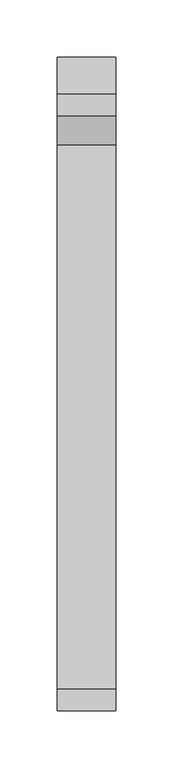
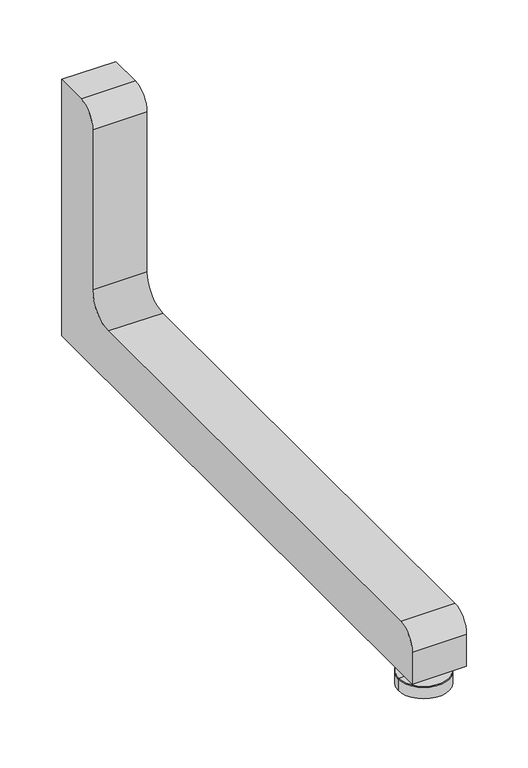
"""IFC4 building model written with IfcOpenShell, lengths in millimetres: furniture geometry."""

from ifc_helpers import new_model, si_unit, point, frame, frame_2d, origin, place, context, project, spatial, polyline, circle_curve, ellipse_curve, trimmed, segment, composite_curve, outline, extrude, source, transform, mapped, element, save
from ifc_brep_helpers import plane_surface, cylinder_surface, revolved_surface, advanced_brep


def furniture_8a6e1cfb(model_context):
    return source(origin(), model_context, "Body", "SolidModel", [
        extrude(outline(composite_curve([segment(polyline([(151.9514987, 22.225), (-417.9610013, 22.225), (-417.9610013, 53.975)]), True, "CONTINUOUS"), segment(trimmed(circle_curve(frame_2d((-398.9110013, 53.975)), 19.05), [point((-417.9610013, 53.975))], [point((-398.9110013, 73.025))], False, "CARTESIAN"), True, "CONTINUOUS"), segment(polyline([(-398.9110013, 73.025), (75.7514987, 73.025)]), True, "CONTINUOUS"), segment(trimmed(circle_curve(frame_2d((75.7514987, 98.425)), 25.4), [point((75.7514987, 73.025))], [point((101.1514987, 98.425))], True, "CARTESIAN"), True, "CONTINUOUS"), segment(polyline([(101.1514987, 98.425), (101.1514987, 257.175)]), True, "CONTINUOUS"), segment(trimmed(circle_curve(frame_2d((120.2014987, 257.175)), 19.05), [point((101.1514987, 257.175))], [point((120.2014987, 276.225))], False, "CARTESIAN"), True, "CONTINUOUS"), segment(polyline([(120.2014987, 276.225), (151.9514987, 276.225), (151.9514987, 22.225)]), True, "CONTINUOUS")], self_intersect=False)), frame((142.5180814, 0.0, 0.0), z_axis=(1.0, 0.0, 0.0), x_axis=(0.0, 1.0, 0.0)), (0.0, 0.0, 1.0), 50.8),
        advanced_brep(
        [(175.3071865, -392.5610013, 22.2198641), (160.5289763, -392.5610013, 22.2198641), (167.9180814, -392.5610013, 22.2198641), (175.3071865, -392.5610013, 12.1046875), (160.5289763, -392.5610013, 12.1046875), (191.5300644, -392.5610013, 12.1046875), (144.3060984, -392.5610013, 12.1046875), (191.7997166, -392.5610013, 11.2684185), (144.0364462, -392.5610013, 11.2684185), (191.7997166, -392.5610013, 0.0), (144.0364462, -392.5610013, 0.0), (167.9180814, -392.5610013, 0.0)],
        [
            (0, 1, circle_curve(frame((167.9180814, -392.5610013, 22.2198641), z_axis=(0.0, 0.0, 1.0), x_axis=(-1.0, 0.0, 0.0)), 7.3891051)),
            (1, 2),
            (2, 0),
            (1, 0, circle_curve(frame((167.9180814, -392.5610013, 22.2198641), z_axis=(0.0, 0.0, 1.0), x_axis=(-1.0, 0.0, 0.0)), 7.3891051)),
            (3, 4, circle_curve(frame((167.9180814, -392.5610013, 12.1046875), z_axis=(0.0, 0.0, 1.0), x_axis=(-1.0, 0.0, 0.0)), 7.3891051)),
            (4, 1),
            (0, 3),
            (4, 3, circle_curve(frame((167.9180814, -392.5610013, 12.1046875), z_axis=(0.0, 0.0, 1.0), x_axis=(-1.0, 0.0, 0.0)), 7.3891051)),
            (5, 6, circle_curve(frame((167.9180814, -392.5610013, 12.1046875), z_axis=(0.0, 0.0, 1.0), x_axis=(-1.0, 0.0, 0.0)), 23.611983)),
            (6, 4),
            (3, 5),
            (6, 5, circle_curve(frame((167.9180814, -392.5610013, 12.1046875), z_axis=(0.0, 0.0, 1.0), x_axis=(-1.0, 0.0, 0.0)), 23.611983)),
            (7, 8, circle_curve(frame((167.9180814, -392.5610013, 11.2684185), z_axis=(0.0, 0.0, 1.0), x_axis=(-1.0, 0.0, 0.0)), 23.8816352)),
            (8, 6, circle_curve(frame((145.4680277, -392.5610013, 11.2684185), z_axis=(0.0, 1.0, 0.0), x_axis=(1.0, 0.0, 0.0)), 1.4315815)),
            (5, 7, circle_curve(frame((190.3681351, -392.5610013, 11.2684185), z_axis=(0.0, 1.0, 0.0), x_axis=(-1.0, 0.0, 0.0)), 1.4315815)),
            (8, 7, circle_curve(frame((167.9180814, -392.5610013, 11.2684185), z_axis=(0.0, 0.0, 1.0), x_axis=(-1.0, 0.0, 0.0)), 23.8816352)),
            (9, 10, circle_curve(frame((167.9180814, -392.5610013, 0.0), z_axis=(0.0, 0.0, 1.0), x_axis=(-1.0, 0.0, 0.0)), 23.8816352)),
            (10, 8),
            (7, 9),
            (10, 9, circle_curve(frame((167.9180814, -392.5610013, 0.0), z_axis=(0.0, 0.0, 1.0), x_axis=(-1.0, 0.0, 0.0)), 23.8816352)),
            (11, 10),
            (9, 11),
        ],
        [
            plane_surface(frame((167.9180814, -392.5610013, 22.2198641), z_axis=(0.0, 0.0, 1.0), x_axis=(-1.0, 0.0, 0.0))),
            cylinder_surface(frame((167.9180814, -392.5610013, 0.0), z_axis=(0.0, 0.0, -1.0), x_axis=(-1.0, 0.0, 0.0)), 7.3891051),
            plane_surface(frame((167.9180814, -392.5610013, 12.1046875), z_axis=(0.0, 0.0, 1.0), x_axis=(-1.0, 0.0, 0.0))),
            revolved_surface(trimmed(ellipse_curve(frame((145.4680277, -392.5610013, 11.2684185), z_axis=(0.0, -1.0, 0.0), x_axis=(1.0, 0.0, 0.0)), 1.4315815, 1.4315815), [point((144.3060984, -392.5610013, 12.1046875))], [point((144.0364462, -392.5610013, 11.2684185))], True, "CARTESIAN"), (167.9180814, -392.5610013, 0.0), (0.0, 0.0, -1.0)),
            cylinder_surface(frame((167.9180814, -392.5610013, 0.0), z_axis=(0.0, 0.0, -1.0), x_axis=(-1.0, 0.0, 0.0)), 23.8816352),
            plane_surface(frame((167.9180814, -392.5610013, 0.0), z_axis=(0.0, 0.0, -1.0), x_axis=(-1.0, 0.0, 0.0))),
        ],
        [
            (0, [[1, 2, 3]]),
            (0, [[4, -3, -2]]),
            (1, [[5, 6, -1, 7]]),
            (1, [[8, -7, -4, -6]]),
            (2, [[9, 10, -5, 11]]),
            (2, [[12, -11, -8, -10]]),
            (3, [[13, 14, -9, 15]]),
            (3, [[16, -15, -12, -14]]),
            (4, [[17, 18, -13, 19]]),
            (4, [[20, -19, -16, -18]]),
            (5, [[21, -17, 22]]),
            (5, [[-22, -20, -21]]),
        ],
    ),
    ])


if __name__ == "__main__":
    model = new_model("IFC4")
    model_context = context("Model", 3, world=origin())
    ifc_project = project(units=[si_unit("LENGTHUNIT", "METRE", prefix="MILLI")], contexts=[model_context])
    site = spatial("IfcSite", under=ifc_project)
    building = spatial("IfcBuilding", under=site)
    placement = place(None, origin())
    furniture_shape = furniture_8a6e1cfb(model_context)
    element("IfcFurniture", 1, at=placement, inside=building, context=model_context, shape_type="MappedRepresentation", body=[
        mapped(furniture_shape, transform((0.0, 0.0, 0.0), x_axis=(1.0, 0.0, 0.0), y_axis=(0.0, 1.0, 0.0), z_axis=(0.0, 0.0, 1.0))),
    ])
    save(model, "model.ifc")
